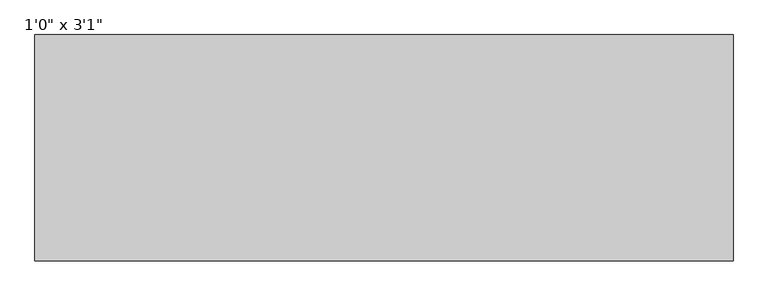
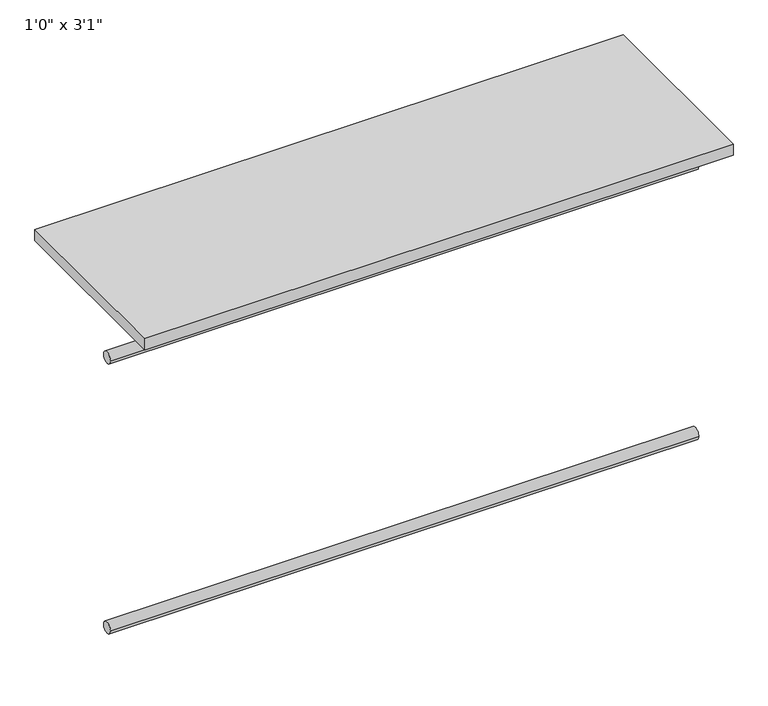
"""IFC4 building model written with IfcOpenShell, lengths in millimetres: furniture geometry."""

from ifc_helpers import new_model, si_unit, point, frame, frame_2d, origin, origin_with_axes, place, context, project, spatial, polyline, circle_curve, trimmed, segment, composite_curve, outline, extrude, source, transform, mapped, element, save


def furniture_6fab47ff(model_context):
    return source(origin(), model_context, "Body", "SweptSolid", [
        extrude(outline(composite_curve([segment(trimmed(circle_curve(frame_2d((342.9, -711.2)), 12.7), [point((330.2, -711.2))], [point((355.6, -711.2))], False, "CARTESIAN"), True, "CONTINUOUS"), segment(trimmed(circle_curve(frame_2d((342.9, -711.2)), 12.7), [point((355.6, -711.2))], [point((330.2, -711.2))], False, "CARTESIAN"), True, "CONTINUOUS")], self_intersect=False)), frame((-608.6060451, 0.0, 0.0), z_axis=(1.0, 0.0, 0.0), x_axis=(0.0, 1.0, 0.0)), (0.0, 0.0, 1.0), 1254.6875),
        extrude(outline(composite_curve([segment(trimmed(circle_curve(frame_2d((342.9, -101.6)), 12.7), [point((330.2, -101.6))], [point((355.6, -101.6))], False, "CARTESIAN"), True, "CONTINUOUS"), segment(trimmed(circle_curve(frame_2d((342.9, -101.6)), 12.7), [point((355.6, -101.6))], [point((330.2, -101.6))], False, "CARTESIAN"), True, "CONTINUOUS")], self_intersect=False)), frame((-608.6060451, 0.0, 0.0), z_axis=(1.0, 0.0, 0.0), x_axis=(0.0, 1.0, 0.0)), (0.0, 0.0, 1.0), 1254.6875),
        extrude(outline(polyline([(646.0814549, 203.2), (-608.6060451, 203.2), (-608.6060451, 609.6), (646.0814549, 609.6), (646.0814549, 203.2)])), origin_with_axes(), (0.0, 0.0, 1.0), 25.4),
    ])


if __name__ == "__main__":
    model = new_model("IFC4")
    model_context = context("Model", 3, world=origin())
    ifc_project = project(units=[si_unit("LENGTHUNIT", "METRE", prefix="MILLI")], contexts=[model_context])
    site = spatial("IfcSite", under=ifc_project)
    building = spatial("IfcBuilding", under=site)
    placement = place(None, origin())
    furniture_shape = furniture_6fab47ff(model_context)
    element("IfcFurniture", 1, ObjectType="1'0\" x 3'1\"", at=placement, inside=building, context=model_context, shape_type="MappedRepresentation", body=[
        mapped(furniture_shape, transform((0.0, 0.0, 0.0), x_axis=(1.0, 0.0, 0.0), y_axis=(0.0, 1.0, 0.0), z_axis=(0.0, 0.0, 1.0))),
    ])
    save(model, "model.ifc")
